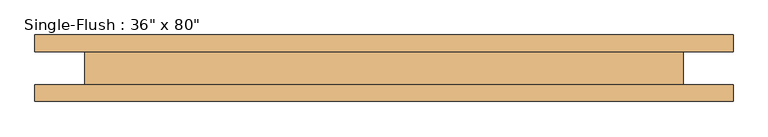
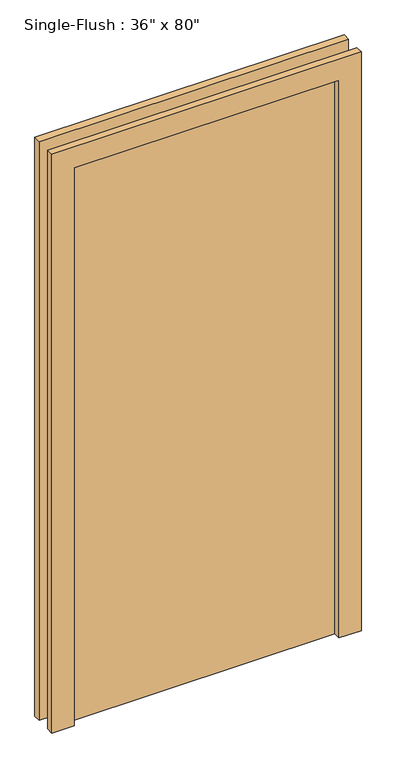
"""IFC4 building model written with IfcOpenShell, lengths in millimetres: door geometry."""

from ifc_helpers import new_model, si_unit, frame, origin, origin_with_axes, place, context, project, spatial, polyline, outline, extrude, source, transform, mapped, element, save


def door_6e206366(model_context):
    return source(origin(), model_context, "Body", "SweptSolid", [
        extrude(outline(polyline([(2108.2, -533.4), (0.0, -533.4), (0.0, -457.2), (2032.0, -457.2), (2032.0, 457.2), (0.0, 457.2), (0.0, 533.4), (2108.2, 533.4), (2108.2, -533.4)])), frame((0.0, 25.4, 0.0), z_axis=(0.0, 1.0, 0.0), x_axis=(0.0, 0.0, 1.0)), (0.0, 0.0, 1.0), 25.4),
        extrude(outline(polyline([(2108.2, 533.4), (2108.2, -533.4), (0.0, -533.4), (0.0, -457.2), (2032.0, -457.2), (2032.0, 457.2), (0.0, 457.2), (0.0, 533.4), (2108.2, 533.4)])), frame((0.0, -50.8, 0.0), z_axis=(0.0, 1.0, 0.0), x_axis=(0.0, 0.0, 1.0)), (0.0, 0.0, 1.0), 25.4),
        extrude(outline(polyline([(457.2, -25.4), (-457.2, -25.4), (-457.2, 25.4), (457.2, 25.4), (457.2, -25.4)])), origin_with_axes(), (0.0, 0.0, 1.0), 2032.0),
    ])


if __name__ == "__main__":
    model = new_model("IFC4")
    model_context = context("Model", 3, world=origin())
    ifc_project = project(units=[si_unit("LENGTHUNIT", "METRE", prefix="MILLI")], contexts=[model_context])
    site = spatial("IfcSite", under=ifc_project)
    building = spatial("IfcBuilding", under=site)
    placement = place(None, origin())
    door_shape = door_6e206366(model_context)
    element("IfcDoor", 1, ObjectType="Single-Flush : 36\" x 80\"", at=placement, inside=building, context=model_context, shape_type="MappedRepresentation", body=[
        mapped(door_shape, transform((0.0, 0.0, 0.0), x_axis=(1.0, 0.0, 0.0), y_axis=(0.0, 1.0, 0.0), z_axis=(0.0, 0.0, 1.0))),
    ])
    save(model, "model.ifc")
